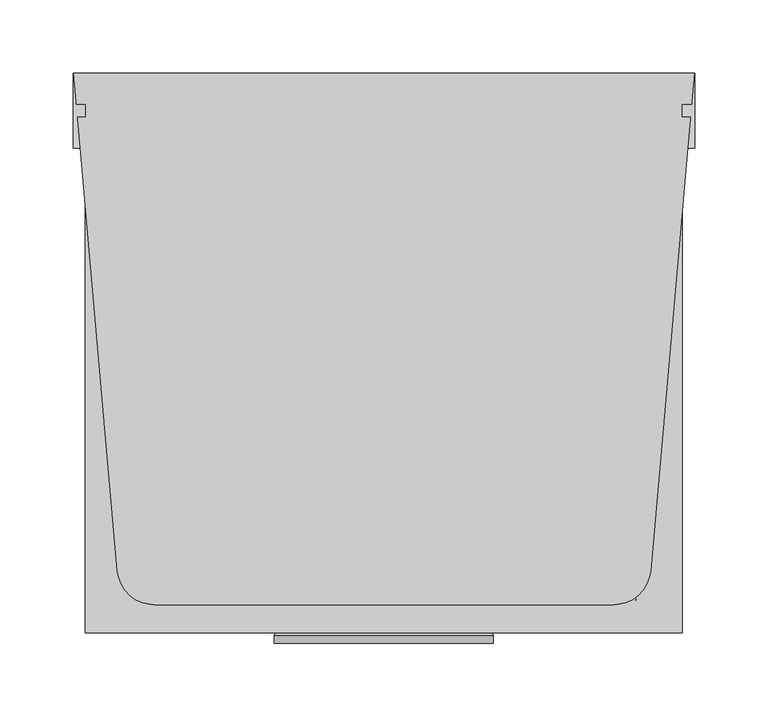
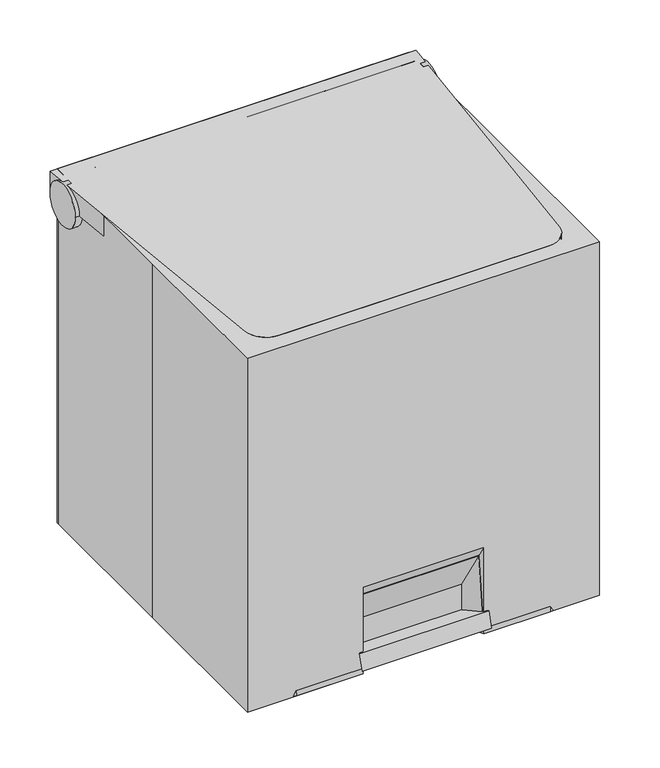
"""IFC4 building model written with IfcOpenShell, lengths in millimetres: proxy geometry."""

from ifc_helpers import new_model, si_unit, point, frame, frame_2d, origin, place, context, project, spatial, polyline, circle_curve, ellipse_curve, trimmed, segment, composite_curve, outline, extrude, source, transform, mapped, element, save
from ifc_brep_helpers import plane_surface, cylinder_surface, revolved_surface, spline_surface, advanced_brep


def specialty_equipment_3a0a294f(model_context):
    return source(origin(), model_context, "Body", "SolidModel", [
        extrude(outline(composite_curve([segment(trimmed(circle_curve(frame_2d((165.1, 406.4)), 25.4), [point((190.5, 406.4))], [point((139.7, 406.4))], False, "CARTESIAN"), True, "CONTINUOUS"), segment(trimmed(circle_curve(frame_2d((165.1, 406.4)), 25.4), [point((139.7, 406.4))], [point((190.5, 406.4))], False, "CARTESIAN"), True, "CONTINUOUS")], self_intersect=False)), frame((203.2, 0.0, 0.0), z_axis=(1.0, 0.0, 0.0), x_axis=(0.0, 1.0, 0.0)), (0.0, 0.0, 1.0), 8.2243705),
        extrude(outline(composite_curve([segment(trimmed(circle_curve(frame_2d((165.1, 406.4)), 25.4), [point((139.7, 406.4))], [point((190.5, 406.4))], False, "CARTESIAN"), True, "CONTINUOUS"), segment(trimmed(circle_curve(frame_2d((165.1, 406.4)), 25.4), [point((190.5, 406.4))], [point((139.7, 406.4))], False, "CARTESIAN"), True, "CONTINUOUS")], self_intersect=False)), frame((-211.3962544, 0.0, 0.0), z_axis=(1.0, 0.0, 0.0), x_axis=(0.0, 1.0, 0.0)), (0.0, 0.0, 1.0), 8.1962544),
        advanced_brep(
        [(-181.4886497, -148.2637559, 431.8), (-156.1853044, -171.45, 431.8), (156.1853044, -171.45, 431.8), (181.4886497, -148.2637559, 431.8), (211.1266379, 190.5, 431.8), (-211.1266379, 190.5, 431.8), (-181.4886497, -148.2637559, 406.4), (-211.1266379, 190.5, 406.4), (-203.2, 190.5, 406.4), (-203.2, 139.7, 406.4), (203.2, 139.7, 406.4), (203.2, 190.5, 406.4), (211.1266379, 190.5, 406.4), (181.4886497, -148.2637559, 406.4), (156.1853044, -171.45, 406.4), (-156.1853044, -171.45, 406.4), (203.2, 165.1, 431.8), (-203.2, 165.1, 431.8)],
        [
            (0, 1, circle_curve(frame((-156.1853044, -146.05, 431.8), z_axis=(0.0, 0.0, 1.0), x_axis=(1.0, 0.0, 0.0)), 25.4)),
            (1, 2),
            (2, 3, circle_curve(frame((156.1853044, -146.05, 431.8), z_axis=(0.0, 0.0, 1.0), x_axis=(1.0, 0.0, 0.0)), 25.4)),
            (3, 4),
            (4, 5),
            (5, 0),
            (6, 7),
            (7, 8),
            (8, 9),
            (9, 10),
            (10, 11),
            (11, 12),
            (12, 13),
            (13, 14, circle_curve(frame((156.1853044, -146.05, 406.4), z_axis=(0.0, 0.0, -1.0), x_axis=(1.0, 0.0, 0.0)), 25.4)),
            (14, 15),
            (15, 6, circle_curve(frame((-156.1853044, -146.05, 406.4), z_axis=(0.0, 0.0, -1.0), x_axis=(1.0, 0.0, 0.0)), 25.4)),
            (0, 6),
            (15, 1),
            (14, 2),
            (13, 3),
            (12, 4),
            (11, 8),
            (7, 5),
            (10, 16, circle_curve(frame((203.2, 165.1, 406.4), z_axis=(-1.0, 0.0, 0.0), x_axis=(0.0, 1.0, 0.0)), 25.4)),
            (16, 11, circle_curve(frame((203.2, 165.1, 406.4), z_axis=(-1.0, 0.0, 0.0), x_axis=(0.0, 1.0, 0.0)), 25.4)),
            (8, 17, circle_curve(frame((-203.2, 165.1, 406.4), z_axis=(1.0, 0.0, 0.0), x_axis=(0.0, 1.0, 0.0)), 25.4)),
            (17, 9, circle_curve(frame((-203.2, 165.1, 406.4), z_axis=(1.0, 0.0, 0.0), x_axis=(0.0, 1.0, 0.0)), 25.4)),
        ],
        [
            plane_surface(frame((-130.7853044, -146.05, 431.8), z_axis=(0.0, 0.0, 1.0), x_axis=(0.0, 1.0, 0.0))),
            plane_surface(frame((-130.7853044, -146.05, 406.4), z_axis=(0.0, 0.0, -1.0), x_axis=(0.0, -1.0, 0.0))),
            cylinder_surface(frame((-156.1853044, -146.05, 406.4), z_axis=(0.0, 0.0, 1.0), x_axis=(1.0, 0.0, 0.0)), 25.4),
            plane_surface(frame((-156.1853044, -171.45, 431.8), z_axis=(0.0, -1.0, 0.0), x_axis=(0.0, 0.0, -1.0))),
            cylinder_surface(frame((156.1853044, -146.05, 406.4), z_axis=(0.0, 0.0, 1.0), x_axis=(1.0, 0.0, 0.0)), 25.4),
            plane_surface(frame((181.4886497, -148.2637559, 431.8), z_axis=(0.9961946980917455, -0.08715574274765969, 0.0), x_axis=(0.0, 0.0, -1.0))),
            plane_surface(frame((211.1266379, 190.5, 431.8), z_axis=(0.0, 1.0, 0.0), x_axis=(0.0, 0.0, -1.0))),
            plane_surface(frame((-211.1266379, 190.5, 431.8), z_axis=(-0.9961946980917458, -0.08715574274765654, 0.0), x_axis=(0.0, 0.0, -1.0))),
            plane_surface(frame((203.2, 190.5, 406.4), z_axis=(-1.0, 0.0, 0.0), x_axis=(0.0, 0.0, 1.0))),
            plane_surface(frame((-203.2, 190.5, 406.4), z_axis=(1.0, 0.0, 0.0), x_axis=(0.0, 0.0, -1.0))),
            revolved_surface(polyline([(203.2, 190.5, 406.4), (-203.2, 190.5, 406.4)]), (-203.2, 165.1, 406.4), (1.0, 0.0, 0.0)),
        ],
        [
            (0, [[1, 2, 3, 4, 5, 6]]),
            (1, [[7, 8, 9, 10, 11, 12, 13, 14, 15, 16]]),
            (2, [[-1, 17, -16, 18]]),
            (3, [[-2, -18, -15, 19]]),
            (4, [[-3, -19, -14, 20]]),
            (5, [[-4, -20, -13, 21]]),
            (6, [[-5, -21, -12, 22, -8, 23]]),
            (7, [[-6, -23, -7, -17]]),
            (8, [[24, 25, -11]]),
            (9, [[26, 27, -9]]),
            (10, [[-24, -10, -27, -26, -22, -25]]),
        ],
    ),
        advanced_brep(
        [(-171.8953527, -167.3137559, 406.4), (171.8953527, -167.3137559, 406.4), (198.7555759, 139.7, 406.4), (-198.7555759, 139.7, 406.4), (203.2, 190.5, 0.0), (171.8953527, -167.3137559, 0.0), (146.5920074, -190.5, 0.0), (69.85, -190.5, 0.0), (57.15, -167.3137559, 0.0), (-57.15, -167.3137559, 0.0), (-69.85, -190.5, 0.0), (-146.5920074, -190.5, 0.0), (-171.8953527, -167.3137559, 0.0), (-203.2, 190.5, 0.0), (-203.2, 190.5, 406.4), (203.2, 190.5, 406.4), (-66.9435562, -185.1937389, 93.0062024), (66.9435562, -185.1937389, 93.0062024), (57.15, -167.3137559, 50.8), (-57.15, -167.3137559, 50.8)],
        [
            (0, 1),
            (1, 2),
            (2, 3),
            (3, 0),
            (4, 5),
            (5, 6, circle_curve(frame((146.5920074, -165.1, 0.0), z_axis=(0.0, 0.0, -1.0), x_axis=(1.0, 0.0, 0.0)), 25.4)),
            (6, 7),
            (7, 8),
            (8, 9),
            (9, 10),
            (10, 11),
            (11, 12, circle_curve(frame((-146.5920074, -165.1, 0.0), z_axis=(0.0, 0.0, -1.0), x_axis=(1.0, 0.0, 0.0)), 25.4)),
            (12, 13),
            (13, 4),
            (13, 14),
            (14, 15),
            (15, 4),
            (12, 0),
            (3, 14, ellipse_curve(frame((-200.9777879, 165.1, 406.4), z_axis=(0.9961946980917457, 0.08715574274765671, 0.0), x_axis=(0.08715574274765668, -0.9961946980917457, 0.0)), 25.4970239, 25.4)),
            (11, 0),
            (10, 16),
            (16, 17),
            (17, 7),
            (6, 1),
            (5, 1),
            (15, 2, ellipse_curve(frame((200.9777879, 165.1, 406.4), z_axis=(-0.9961946980917454, 0.08715574274765969, 0.0), x_axis=(0.0871557427476588, 0.9961946980917455, 0.0)), 25.4970239, 25.4)),
            (18, 19),
            (19, 9),
            (8, 18),
            (18, 17),
            (16, 19),
        ],
        [
            plane_surface(frame((0.0, 11.5931221, 406.4), z_axis=(0.0, 0.0, 1.0), x_axis=(0.08715574274765671, -0.9961946980917457, 0.0))),
            plane_surface(frame((0.0, -55.771252, 0.0), z_axis=(0.0, 0.0, -1.0), x_axis=(0.08715574274765671, -0.9961946980917457, 0.0))),
            plane_surface(frame((0.0, 190.5, 0.0), z_axis=(0.0, 1.0, 0.0), x_axis=(-1.0, 0.0, 0.0))),
            plane_surface(frame((-187.5476764, 11.5931221, 0.0), z_axis=(-0.9961946980917457, -0.08715574274765671, 0.0), x_axis=(0.08715574274765671, -0.9961946980917457, 0.0))),
            spline_surface(2, 1, [[(-171.8953527, -167.3137559, 0.0), (-171.8953527, -167.3137559, 406.4)], [(-169.86681913406716, -190.49999996929208, 0.0), (-171.8953527, -167.3137559, 406.4)], [(-146.5920074, -190.5, 0.0), (-171.8953527, -167.3137559, 406.4)]], [3, 3], [2, 2], [0.0, 1.0], [0.0, 1.0], weights=[[1.0, 1.0], [0.7372773377124887, 0.7372773377124887], [1.0, 1.0]]),
            plane_surface(frame((0.0, -190.5, 0.0), z_axis=(0.0, -0.9983764533733115, 0.05696013825236224), x_axis=(1.0, 0.0, 0.0))),
            spline_surface(2, 1, [[(146.5920074, -190.5, 0.0), (171.8953527, -167.3137559, 406.4)], [(169.86681918616762, -190.5000000261497, 0.0), (171.8953527, -167.3137559, 406.4)], [(171.8953527, -167.3137559, 0.0), (171.8953527, -167.3137559, 406.4)]], [3, 3], [2, 2], [0.0, 1.0], [0.0, 1.0], weights=[[1.0, 1.0], [0.7372773368872948, 0.7372773368872948], [1.0, 1.0]]),
            plane_surface(frame((187.5476764, 11.5931221, 0.0), z_axis=(0.9961946980917454, -0.08715574274765969, 0.0), x_axis=(0.08715574274765969, 0.9961946980917454, 0.0))),
            plane_surface(frame((0.0, -167.3137559, 25.4), z_axis=(0.0, -1.0, 0.0), x_axis=(-1.0, 0.0, 0.0))),
            plane_surface(frame((0.0, -190.5, 105.5317808), z_axis=(0.0, -0.920783074067558, -0.39007503189860543), x_axis=(1.0, 0.0, 0.0))),
            plane_surface(frame((-69.85, -190.5, 52.7658904), z_axis=(0.8770521055181142, -0.48039525830949104, 0.0), x_axis=(0.0, 0.0, 1.0))),
            plane_surface(frame((69.85, -190.5, 52.7658904), z_axis=(-0.8770521055181134, -0.48039525830949253, 0.0), x_axis=(0.0, 0.0, -1.0))),
            revolved_surface(polyline([(203.2, 190.5, 406.4), (-203.2, 190.5, 406.4)]), (-203.2, 165.1, 406.4), (1.0, 0.0, 0.0)),
        ],
        [
            (0, [[1, 2, 3, 4]]),
            (1, [[5, 6, 7, 8, 9, 10, 11, 12, 13, 14]]),
            (2, [[-14, 15, 16, 17]]),
            (3, [[-13, 18, -4, 19, -15]]),
            (4, [[-12, 20, -18]]),
            (5, [[-1, -20, -11, 21, 22, 23, -7, 24]]),
            (6, [[-6, 25, -24]]),
            (7, [[-5, -17, 26, -2, -25]]),
            (8, [[27, 28, -9, 29]]),
            (9, [[-27, 30, -22, 31]]),
            (10, [[-28, -31, -21, -10]]),
            (11, [[-29, -8, -23, -30]]),
            (12, [[-3, -26, -16, -19]]),
        ],
    ),
        extrude(outline(polyline([(4.6906993, 0.0), (-12.7, -31.75), (-127.0, -31.75), (-144.3906993, 0.0), (4.6906993, 0.0)])), frame((-69.85, -197.7247404, 9.1232954), z_axis=(0.0, 0.2873478855663447, 0.9578262852211517), x_axis=(-1.0, 0.0, 0.0)), (0.0, 0.0, 1.0), 19.05),
        advanced_brep(
        [(-203.2, 0.0, 431.8), (-203.2, -190.5, 431.8), (203.2, -190.5, 431.8), (203.2, 165.1, 431.8), (203.2, 190.5, 431.8), (-203.2, 190.5, 431.8), (-203.2, 165.1, 431.8), (-203.2, 190.5, 0.0), (203.2, 190.5, 0.0), (203.2, -190.5, 0.0), (69.85, -190.5, 0.0), (57.15, -167.3137559, 0.0), (-57.15, -167.3137559, 0.0), (-69.85, -190.5, 0.0), (-203.2, -190.5, 0.0), (-203.2, 0.0, 0.0), (-203.2, 190.5, 406.4), (-203.2, 139.7, 406.4), (-69.85, -190.5, 105.5317808), (69.85, -190.5, 105.5317808), (203.2, 190.5, 406.4), (203.2, 139.7, 406.4), (57.15, -167.3137559, 50.8), (-57.15, -167.3137559, 50.8)],
        [
            (0, 1),
            (1, 2),
            (2, 3),
            (3, 4),
            (4, 5),
            (5, 6),
            (6, 0),
            (7, 8),
            (8, 9),
            (9, 10),
            (10, 11),
            (11, 12),
            (12, 13),
            (13, 14),
            (14, 15),
            (15, 7),
            (5, 16),
            (16, 6, circle_curve(frame((-203.2, 165.1, 406.4), z_axis=(1.0, 0.0, 0.0), x_axis=(0.0, 1.0, 0.0)), 25.4)),
            (15, 0),
            (6, 17, circle_curve(frame((-203.2, 165.1, 406.4), z_axis=(1.0, 0.0, 0.0), x_axis=(0.0, 1.0, 0.0)), 25.4)),
            (17, 16, circle_curve(frame((-203.2, 165.1, 406.4), z_axis=(1.0, 0.0, 0.0), x_axis=(0.0, 1.0, 0.0)), 25.4)),
            (16, 7),
            (14, 1),
            (13, 18),
            (18, 19),
            (19, 10),
            (9, 2),
            (3, 20, circle_curve(frame((203.2, 165.1, 406.4), z_axis=(-1.0, 0.0, 0.0), x_axis=(0.0, 1.0, 0.0)), 25.4)),
            (20, 4),
            (8, 20),
            (20, 21, circle_curve(frame((203.2, 165.1, 406.4), z_axis=(-1.0, 0.0, 0.0), x_axis=(0.0, 1.0, 0.0)), 25.4)),
            (21, 3, circle_curve(frame((203.2, 165.1, 406.4), z_axis=(-1.0, 0.0, 0.0), x_axis=(0.0, 1.0, 0.0)), 25.4)),
            (22, 23),
            (23, 12),
            (11, 22),
            (22, 19),
            (18, 23),
            (20, 16),
            (17, 21),
        ],
        [
            plane_surface(frame((-203.2, 0.0, 431.8), z_axis=(0.0, 0.0, 1.0), x_axis=(0.0, -1.0, 0.0))),
            plane_surface(frame((-203.2, 0.0, 0.0), z_axis=(0.0, 0.0, -1.0), x_axis=(0.0, 1.0, 0.0))),
            plane_surface(frame((-203.2, 190.5, 431.8), z_axis=(-1.0, 0.0, 0.0), x_axis=(0.0, 0.0, -1.0))),
            plane_surface(frame((-203.2, 0.0, 431.8), z_axis=(-1.0, 0.0, 0.0), x_axis=(0.0, 0.0, -1.0))),
            plane_surface(frame((-203.2, -190.5, 431.8), z_axis=(0.0, -1.0, 0.0), x_axis=(0.0, 0.0, -1.0))),
            plane_surface(frame((203.2, -190.5, 431.8), z_axis=(1.0, 0.0, 0.0), x_axis=(0.0, 0.0, -1.0))),
            plane_surface(frame((203.2, 190.5, 431.8), z_axis=(0.0, 1.0, 0.0), x_axis=(0.0, 0.0, -1.0))),
            plane_surface(frame((0.0, -167.3137559, 25.4), z_axis=(0.0, -1.0, 0.0), x_axis=(-1.0, 0.0, 0.0))),
            plane_surface(frame((0.0, -190.5, 105.5317808), z_axis=(0.0, -0.920783074067558, -0.39007503189860543), x_axis=(1.0, 0.0, 0.0))),
            plane_surface(frame((-69.85, -190.5, 52.7658904), z_axis=(0.8770521055181142, -0.48039525830949104, 0.0), x_axis=(0.0, 0.0, 1.0))),
            plane_surface(frame((69.85, -190.5, 52.7658904), z_axis=(-0.8770521055181134, -0.48039525830949253, 0.0), x_axis=(0.0, 0.0, -1.0))),
            revolved_surface(polyline([(203.2, 190.5, 406.4), (-203.2, 190.5, 406.4)]), (-203.2, 165.1, 406.4), (1.0, 0.0, 0.0)),
        ],
        [
            (0, [[1, 2, 3, 4, 5, 6, 7]]),
            (1, [[8, 9, 10, 11, 12, 13, 14, 15, 16]]),
            (2, [[-6, 17, 18]]),
            (2, [[-16, 19, -7, 20, 21, 22]]),
            (3, [[-1, -19, -15, 23]]),
            (4, [[-2, -23, -14, 24, 25, 26, -10, 27]]),
            (5, [[-4, 28, 29]]),
            (5, [[-9, 30, 31, 32, -3, -27]]),
            (6, [[-5, -29, -30, -8, -22, -17]]),
            (7, [[33, 34, -12, 35]]),
            (8, [[-33, 36, -25, 37]]),
            (9, [[-34, -37, -24, -13]]),
            (10, [[-35, -11, -26, -36]]),
            (11, [[38, -21, 39, -31]]),
            (11, [[-38, -28, -32, -39, -20, -18]]),
        ],
    ),
    ])


if __name__ == "__main__":
    model = new_model("IFC4")
    model_context = context("Model", 3, world=origin())
    ifc_project = project(units=[si_unit("LENGTHUNIT", "METRE", prefix="MILLI")], contexts=[model_context])
    site = spatial("IfcSite", under=ifc_project)
    building = spatial("IfcBuilding", under=site)
    placement = place(None, origin())
    specialty_equipment_shape = specialty_equipment_3a0a294f(model_context)
    element("IfcBuildingElementProxy", 1, Name="Specialty Equipment", at=placement, inside=building, context=model_context, shape_type="MappedRepresentation", body=[
        mapped(specialty_equipment_shape, transform((0.0, 0.0, 0.0), x_axis=(1.0, 0.0, 0.0), y_axis=(0.0, 1.0, 0.0), z_axis=(0.0, 0.0, 1.0))),
    ])
    save(model, "model.ifc")
